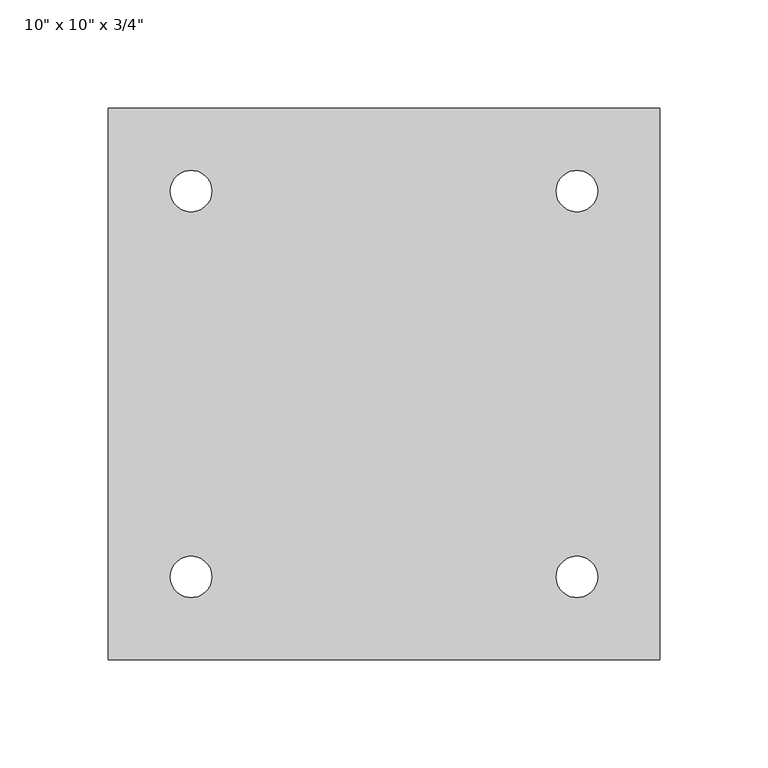
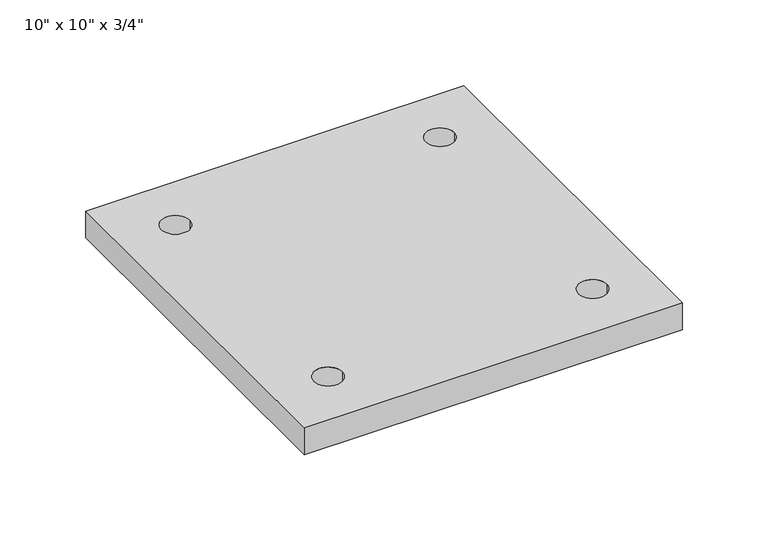
"""IFC4 building model written with IfcOpenShell, lengths in millimetres: proxy geometry."""

import ifcopenshell
import ifcopenshell.guid

model = None  # the IFC model being written
_history = None  # IfcOwnerHistory: only IFC2X3 demands one
_inside = {}  # id of a spatial element -> (the spatial element, [elements in it])
_under = {}  # id of a project, library or spatial element -> (it, [spatial elements below it])
_declared = {}  # id of a project -> (the project, [libraries it declares])
_typed = {}  # id of a type object -> (the type object, [elements of that type])
_made_of = {}  # id of a material, layer set ... -> (it, [elements and type objects made of it])


def new_model(schema):
    """Start an empty IFC model of exactly this schema.

    Asked for "IFC4X3", IfcOpenShell would pick the latest addendum, in which some entities
    have other attributes; the version numbers below select the first issue.
    IFC2X3 requires an IfcOwnerHistory on every rooted entity: one is made here for all.
    """
    global model, _history
    if schema == "IFC4X3":
        model = ifcopenshell.file(schema_version=(4, 3, 0, 0))
    else:
        model = ifcopenshell.file(schema=schema)
    _inside.clear()
    _under.clear()
    _declared.clear()
    _typed.clear()
    _made_of.clear()
    _history = None
    if model.schema == "IFC2X3":
        org = make("IfcOrganization", Name="unknown")
        user = make(
            "IfcPersonAndOrganization",
            ThePerson=make("IfcPerson", FamilyName="unknown"),
            TheOrganization=org,
        )
        app = make(
            "IfcApplication",
            ApplicationDeveloper=org,
            Version="unknown",
            ApplicationFullName="unknown",
            ApplicationIdentifier="unknown",
        )
        _history = make(
            "IfcOwnerHistory",
            OwningUser=user,
            OwningApplication=app,
            ChangeAction="ADDED",
            CreationDate=0,
        )
    return model


def make(cls, **values):
    """One entity of the class cls with the attributes given. An attribute that is None is left unset."""
    return model.create_entity(
        cls, **{name: value for name, value in values.items() if value is not None}
    )


def rooted(cls, **values):
    """An entity with a GlobalId (a new one), such as an element, a storey or a relation."""
    return make(cls, GlobalId=ifcopenshell.guid.new(), OwnerHistory=_history, **values)


def si_unit(unit_type, name, prefix=None):
    """IfcSIUnit, for example si_unit("LENGTHUNIT", "METRE", prefix="MILLI")."""
    return make("IfcSIUnit", UnitType=unit_type, Prefix=prefix, Name=name)


def assignment(units):
    """IfcUnitAssignment: the units of a project."""
    return None if units is None else make("IfcUnitAssignment", Units=units)


def point(xyz):
    """IfcCartesianPoint."""
    return None if xyz is None else make("IfcCartesianPoint", Coordinates=xyz)


def direction(xyz):
    """IfcDirection."""
    return None if xyz is None else make("IfcDirection", DirectionRatios=xyz)


def frame(location, z_axis=None, x_axis=None):
    """IfcAxis2Placement3D, a coordinate frame: its origin and axes. An axis left out is left unset."""
    return make(
        "IfcAxis2Placement3D",
        Location=point(location),
        Axis=direction(z_axis),
        RefDirection=direction(x_axis),
    )


def frame_2d(location, x_axis=None):
    """IfcAxis2Placement2D, a coordinate frame in the plane: its origin and x axis."""
    return make(
        "IfcAxis2Placement2D", Location=point(location), RefDirection=direction(x_axis)
    )


def origin():
    """The frame at (0, 0, 0) with its axes left unset."""
    return frame((0.0, 0.0, 0.0))


def origin_with_axes():
    """The frame at (0, 0, 0) with the z axis (0, 0, 1) and the x axis (1, 0, 0) written out."""
    return frame((0.0, 0.0, 0.0), z_axis=(0.0, 0.0, 1.0), x_axis=(1.0, 0.0, 0.0))


def place(relative_to, where):
    """IfcLocalPlacement: puts the frame where relative to a parent placement (None: the world)."""
    return make(
        "IfcLocalPlacement", PlacementRelTo=relative_to, RelativePlacement=where
    )


def context(
    kind, dimensions, precision=None, world=None, true_north=None, identifier=None
):
    """IfcGeometricRepresentationContext, for example the 3D "Model" context."""
    return make(
        "IfcGeometricRepresentationContext",
        ContextIdentifier=identifier,
        ContextType=kind,
        CoordinateSpaceDimension=dimensions,
        Precision=precision,
        WorldCoordinateSystem=world,
        TrueNorth=true_north,
    )


def project(units=None, contexts=None):
    """IfcProject with its units and contexts."""
    return rooted(
        "IfcProject",
        Name="project",
        RepresentationContexts=contexts,
        UnitsInContext=assignment(units),
    )


def spatial(cls, under=None, at=None, **own):
    """A site, building, storey or space (cls), placed at a placement, below another one or the project."""
    s = rooted(cls, ObjectPlacement=at, **own)
    if under is not None:
        _under.setdefault(under.id(), (under, []))[1].append(s)
    return s


def polyline(points):
    """IfcPolyline through the points."""
    return make("IfcPolyline", Points=[point(p) for p in points])


def circle_curve(where, radius):
    """IfcCircle in the frame where."""
    return make("IfcCircle", Position=where, Radius=radius)


def trimmed(basis, trim1, trim2, sense, master):
    """IfcTrimmedCurve: the piece of a basis curve between two trims."""
    return make(
        "IfcTrimmedCurve",
        BasisCurve=basis,
        Trim1=trim1,
        Trim2=trim2,
        SenseAgreement=sense,
        MasterRepresentation=master,
    )


def segment(curve, same_sense, transition):
    """IfcCompositeCurveSegment."""
    return make(
        "IfcCompositeCurveSegment",
        Transition=transition,
        SameSense=same_sense,
        ParentCurve=curve,
    )


def composite_curve(segments, self_intersect=None):
    """IfcCompositeCurve: segments joined end to end."""
    return make("IfcCompositeCurve", Segments=segments, SelfIntersect=self_intersect)


def outline(outer, holes=None, kind="AREA"):
    """IfcArbitraryClosedProfileDef: a profile drawn as a closed curve; with holes, ...WithVoids."""
    if holes is None:
        return make("IfcArbitraryClosedProfileDef", ProfileType=kind, OuterCurve=outer)
    return make(
        "IfcArbitraryProfileDefWithVoids",
        ProfileType=kind,
        OuterCurve=outer,
        InnerCurves=holes,
    )


def extrude(swept, where, along, depth):
    """IfcExtrudedAreaSolid: the profile swept, set in the frame where, extruded along a direction by depth."""
    return make(
        "IfcExtrudedAreaSolid",
        SweptArea=swept,
        Position=where,
        ExtrudedDirection=direction(along),
        Depth=depth,
    )


def shape(context_of_items, identifier, shape_type, items):
    """IfcShapeRepresentation: the items that make up one representation, for example the "Body"."""
    return make(
        "IfcShapeRepresentation",
        ContextOfItems=context_of_items,
        RepresentationIdentifier=identifier,
        RepresentationType=shape_type,
        Items=items,
    )


def source(mapping_origin, context_of_items, identifier, shape_type, items):
    """IfcRepresentationMap: a shape defined once, which mapped items show again and again."""
    return make(
        "IfcRepresentationMap",
        MappingOrigin=mapping_origin,
        MappedRepresentation=shape(context_of_items, identifier, shape_type, items),
    )


def transform(
    local_origin,
    x_axis=None,
    y_axis=None,
    z_axis=None,
    scale=None,
    scale2=None,
    scale3=None,
    uniform=True,
):
    """IfcCartesianTransformationOperator3D, or its non-uniform kind. x_axis, y_axis, z_axis: its Axis1, 2, 3."""
    if uniform:
        return make(
            "IfcCartesianTransformationOperator3D",
            Axis1=direction(x_axis),
            Axis2=direction(y_axis),
            LocalOrigin=point(local_origin),
            Scale=scale,
            Axis3=direction(z_axis),
        )
    return make(
        "IfcCartesianTransformationOperator3DnonUniform",
        Axis1=direction(x_axis),
        Axis2=direction(y_axis),
        LocalOrigin=point(local_origin),
        Scale=scale,
        Axis3=direction(z_axis),
        Scale2=scale2,
        Scale3=scale3,
    )


def mapped(mapping_source, mapping_target):
    """IfcMappedItem: shows the shape of a source again, moved by a transform."""
    return make(
        "IfcMappedItem", MappingSource=mapping_source, MappingTarget=mapping_target
    )


def made_of(thing, what):
    """Note that an element or type object is made of a material, layer set ...; save() writes the relation."""
    if what is not None:
        _made_of.setdefault(what.id(), (what, []))[1].append(thing)
    return thing


def element(
    cls,
    number,
    at=None,
    inside=None,
    cuts=None,
    type_object=None,
    material=None,
    context=None,
    identifier="Body",
    shape_type=None,
    held_by="IfcProductDefinitionShape",
    body=None,
    shapes=None,
    **own,
):
    """One element of the class cls, such as IfcWall. Its Tag is "e" and its number.

    at: its placement. inside: the storey or other place that contains it. cuts: it is an
    opening in that element (IfcRelVoidsElement). A single representation is given by context,
    identifier, shape_type and body (its items); several are given by shapes. held_by: the class
    of the entity that holds the representations. save() writes the other relations.
    """
    e = rooted(cls, Tag="e%d" % number, ObjectPlacement=at, **own)
    if body is not None:
        shapes = [shape(context, identifier, shape_type, body)]
    if shapes is not None:
        e.Representation = make(held_by, Representations=shapes)
    if inside is not None:
        _inside.setdefault(inside.id(), (inside, []))[1].append(e)
    if cuts is not None:
        rooted(
            "IfcRelVoidsElement", RelatingBuildingElement=cuts, RelatedOpeningElement=e
        )
    if type_object is not None:
        _typed.setdefault(type_object.id(), (type_object, []))[1].append(e)
    return made_of(e, material)


def aggregate(whole, parts):
    """IfcRelAggregates: a whole, such as a stair, and the parts it consists of."""
    return rooted("IfcRelAggregates", RelatingObject=whole, RelatedObjects=parts)


def save(model, path):
    """Write the relations noted so far, then the file.

    IfcRelAggregates (storeys below a building ...), IfcRelContainedInSpatialStructure (elements
    in a storey), IfcRelDefinesByType, IfcRelAssociatesMaterial and IfcRelDeclares: one each for
    every whole, place, type object, material and project.
    """
    for whole, parts in _under.values():
        aggregate(whole, parts)
    for where, things in _inside.values():
        rooted(
            "IfcRelContainedInSpatialStructure",
            RelatedElements=things,
            RelatingStructure=where,
        )
    for kind, things in _typed.values():
        rooted("IfcRelDefinesByType", RelatedObjects=things, RelatingType=kind)
    for what, things in _made_of.values():
        rooted("IfcRelAssociatesMaterial", RelatedObjects=things, RelatingMaterial=what)
    for by, libraries in _declared.values():
        rooted("IfcRelDeclares", RelatingContext=by, RelatedDefinitions=libraries)
    model.write(path)


def proxy_e4fa6894(model_context):
    return source(origin(), model_context, "Body", "SweptSolid", [
        extrude(outline(polyline([(127.0, 127.0), (127.0, -127.0), (-127.0, -127.0), (-127.0, 127.0), (127.0, 127.0)]), holes=[composite_curve([segment(trimmed(circle_curve(frame_2d((-88.9, 88.9)), 9.525), [point((-98.425, 88.9))], [point((-79.375, 88.9))], True, "CARTESIAN"), True, "CONTINUOUS"), segment(trimmed(circle_curve(frame_2d((-88.9, 88.9)), 9.525), [point((-79.375, 88.9))], [point((-98.425, 88.9))], True, "CARTESIAN"), True, "CONTINUOUS")], self_intersect=False), composite_curve([segment(trimmed(circle_curve(frame_2d((88.9, 88.9)), 9.525), [point((79.375, 88.9))], [point((98.425, 88.9))], True, "CARTESIAN"), True, "CONTINUOUS"), segment(trimmed(circle_curve(frame_2d((88.9, 88.9)), 9.525), [point((98.425, 88.9))], [point((79.375, 88.9))], True, "CARTESIAN"), True, "CONTINUOUS")], self_intersect=False), composite_curve([segment(trimmed(circle_curve(frame_2d((-88.9, -88.9)), 9.525), [point((-98.425, -88.9))], [point((-79.375, -88.9))], True, "CARTESIAN"), True, "CONTINUOUS"), segment(trimmed(circle_curve(frame_2d((-88.9, -88.9)), 9.525), [point((-79.375, -88.9))], [point((-98.425, -88.9))], True, "CARTESIAN"), True, "CONTINUOUS")], self_intersect=False), composite_curve([segment(trimmed(circle_curve(frame_2d((88.9, -88.9)), 9.525), [point((79.375, -88.9))], [point((98.425, -88.9))], True, "CARTESIAN"), True, "CONTINUOUS"), segment(trimmed(circle_curve(frame_2d((88.9, -88.9)), 9.525), [point((98.425, -88.9))], [point((79.375, -88.9))], True, "CARTESIAN"), True, "CONTINUOUS")], self_intersect=False)]), origin_with_axes(), (0.0, 0.0, 1.0), 19.05),
    ])


if __name__ == "__main__":
    model = new_model("IFC4")
    model_context = context("Model", 3, world=origin())
    ifc_project = project(units=[si_unit("LENGTHUNIT", "METRE", prefix="MILLI")], contexts=[model_context])
    site = spatial("IfcSite", under=ifc_project)
    building = spatial("IfcBuilding", under=site)
    placement = place(None, origin())
    proxy_shape = proxy_e4fa6894(model_context)
    element("IfcBuildingElementProxy", 1, Name="10\" x 10\" x 3/4\"", ObjectType="10\" x 10\" x 3/4\"", at=placement, inside=building, context=model_context, shape_type="MappedRepresentation", body=[
        mapped(proxy_shape, transform((0.0, 0.0, 0.0), x_axis=(1.0, 0.0, 0.0), y_axis=(0.0, 1.0, 0.0), z_axis=(0.0, 0.0, 1.0))),
    ])
    save(model, "model.ifc")
